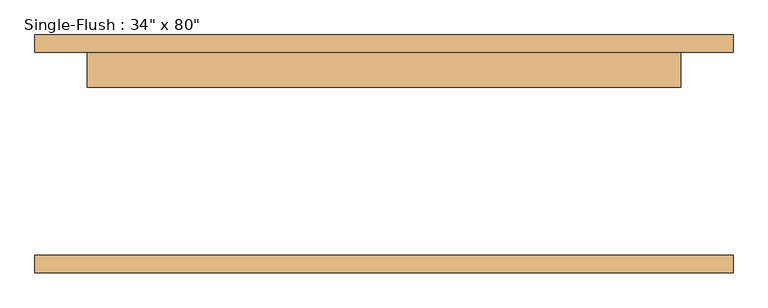
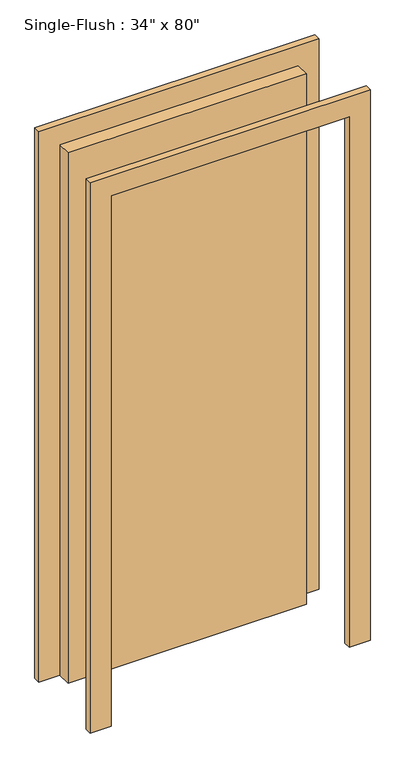
"""IFC4 building model written with IfcOpenShell, lengths in millimetres: door geometry."""

from ifc_helpers import new_model, si_unit, frame, origin, origin_with_axes, place, context, project, spatial, polyline, outline, extrude, source, transform, mapped, element, save


def door_77564c14(model_context):
    return source(origin(), model_context, "Body", "SweptSolid", [
        extrude(outline(polyline([(2108.2, -508.0), (0.0, -508.0), (0.0, -431.8), (2032.0, -431.8), (2032.0, 431.8), (0.0, 431.8), (0.0, 508.0), (2108.2, 508.0), (2108.2, -508.0)])), frame((0.0, 147.6375, 0.0), z_axis=(0.0, 1.0, 0.0), x_axis=(0.0, 0.0, 1.0)), (0.0, 0.0, 1.0), 25.4),
        extrude(outline(polyline([(2108.2, 508.0), (2108.2, -508.0), (0.0, -508.0), (0.0, -431.8), (2032.0, -431.8), (2032.0, 431.8), (0.0, 431.8), (0.0, 508.0), (2108.2, 508.0)])), frame((0.0, -173.0375, 0.0), z_axis=(0.0, 1.0, 0.0), x_axis=(0.0, 0.0, 1.0)), (0.0, 0.0, 1.0), 25.4),
        extrude(outline(polyline([(431.8, 96.8375), (-431.8, 96.8375), (-431.8, 147.6375), (431.8, 147.6375), (431.8, 96.8375)])), origin_with_axes(), (0.0, 0.0, 1.0), 2032.0),
    ])


if __name__ == "__main__":
    model = new_model("IFC4")
    model_context = context("Model", 3, world=origin())
    ifc_project = project(units=[si_unit("LENGTHUNIT", "METRE", prefix="MILLI")], contexts=[model_context])
    site = spatial("IfcSite", under=ifc_project)
    building = spatial("IfcBuilding", under=site)
    placement = place(None, origin())
    door_shape = door_77564c14(model_context)
    element("IfcDoor", 1, ObjectType="Single-Flush : 34\" x 80\"", at=placement, inside=building, context=model_context, shape_type="MappedRepresentation", body=[
        mapped(door_shape, transform((0.0, 0.0, 0.0), x_axis=(1.0, 0.0, 0.0), y_axis=(0.0, 1.0, 0.0), z_axis=(0.0, 0.0, 1.0))),
    ])
    save(model, "model.ifc")
